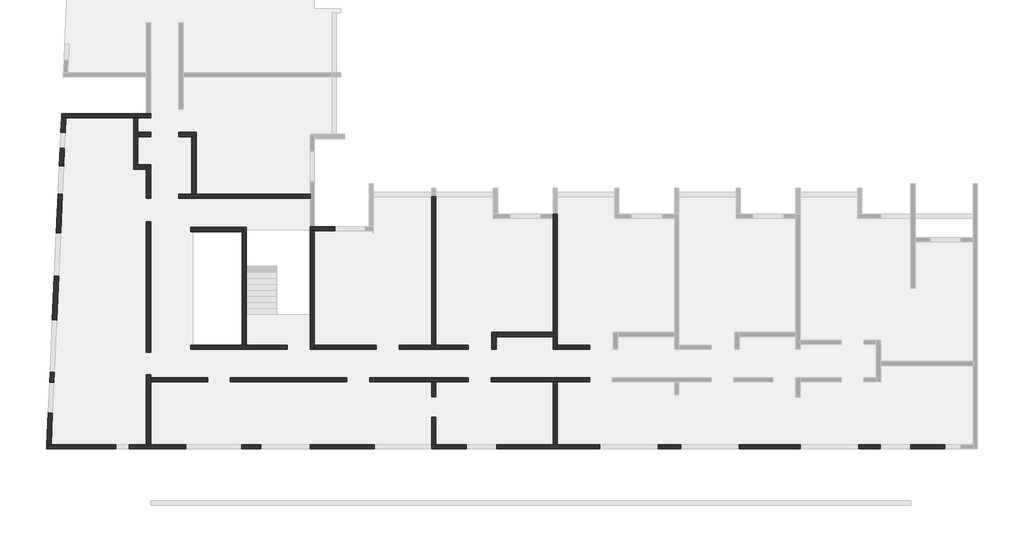
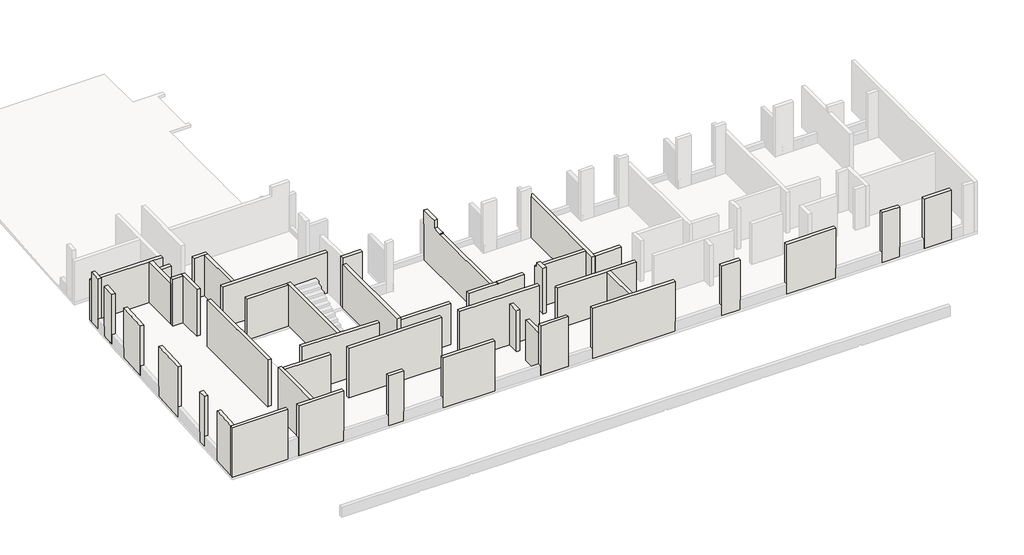
# One storey, part 1 of 5: 45 walls.
"""IFC4 building model written with IfcOpenShell, lengths in millimetres."""

from ifc_helpers import new_model, si_unit, frame, origin, place, context, project, spatial, polyline, outline, extrude, faceted_brep, element, save

model = new_model("IFC4")

# Units and contexts
model_context = context("Model", 3, world=origin())
ifc_project = project(units=[si_unit("LENGTHUNIT", "METRE", prefix="MILLI")], contexts=[model_context])

# Site, building, storey
site = spatial("IfcSite", under=ifc_project)
building = spatial("IfcBuilding", under=site)
storey = spatial("IfcBuildingStorey", under=building, Elevation=19880.0)

# Walls
placement = place(None, origin())
element("IfcWall", 1, ObjectType="MHA20", at=placement, inside=storey, context=model_context, shape_type="SweptSolid", body=[
    extrude(outline(polyline([(-17685.6912908, -13279.0672499), (-17685.6912908, -16219.0672499), (-17885.6912908, -16219.0672499), (-17885.6912908, -13279.0672499), (-17685.6912908, -13279.0672499)])), frame((0.0, 0.0, 19880.0), z_axis=(0.0, 0.0, 1.0), x_axis=(1.0, 0.0, 0.0)), (0.0, 0.0, 1.0), 2530.0),
])
element("IfcWall", 2, ObjectType="MHA20", at=placement, inside=storey, context=model_context, shape_type="SweptSolid", body=[
    extrude(outline(polyline([(-23375.6912908, -14929.0672499), (-23375.6912908, -16219.0672499), (-23575.6912908, -16219.0672499), (-23575.6912908, -14929.0672499), (-23375.6912908, -14929.0672499)])), frame((0.0, 0.0, 19880.0), z_axis=(0.0, 0.0, 1.0), x_axis=(1.0, 0.0, 0.0)), (0.0, 0.0, 1.0), 2530.0),
])
element("IfcWall", 3, ObjectType="MHA20", at=placement, inside=storey, context=model_context, shape_type="Brep", body=[
    faceted_brep([(-17885.6912908, -5419.0672499, 19880.0), (-17885.6912908, -5619.0672499, 19880.0), (-17885.6912908, -10959.0672499, 19880.0), (-17885.6912908, -11159.0672499, 19880.0), (-17885.6912908, -11759.0672499, 19880.0), (-17885.6912908, -11759.0672499, 22410.0), (-17885.6912908, -11159.0672499, 22410.0), (-17885.6912908, -10959.0672499, 22410.0), (-17885.6912908, -5619.0672499, 22410.0), (-17885.6912908, -5419.0672499, 22410.0), (-17885.6912908, -5419.0672499, 22110.0), (-17685.6912908, -5419.0672499, 19880.0), (-17685.6912908, -5419.0672499, 22110.0), (-17685.6912908, -5419.0672499, 22410.0), (-17685.6912908, -11559.0672499, 22410.0), (-17685.6912908, -11759.0672499, 22410.0), (-17685.6912908, -11759.0672499, 19880.0), (-17685.6912908, -11559.0672499, 19880.0)], [[[0, 1, 2, 3, 4, 5, 6, 7, 8, 9, 10]], [[11, 12, 13, 14, 15, 16, 17]], [[4, 3, 2, 1, 0, 11, 17, 16]], [[9, 8, 7, 6, 5, 15, 14, 13]], [[5, 4, 16, 15]], [[0, 10, 9, 13, 12, 11]]]),
])
element("IfcWall", 4, ObjectType="MHA20", at=placement, inside=storey, context=model_context, shape_type="Brep", body=[
    faceted_brep([(-23575.6912908, -4599.0672499, 19880.0), (-23575.6912908, -11559.0672499, 19880.0), (-23575.6912908, -11559.0672499, 22410.0), (-23575.6912908, -6204.0672499, 22410.0), (-23575.6912908, -6204.0672499, 22460.0), (-23575.6912908, -6004.0672499, 22460.0), (-23575.6912908, -5619.0672499, 22460.0), (-23575.6912908, -5619.0672499, 22945.0), (-23575.6912908, -4599.0672499, 22954.4444444), (-23575.6912908, -4599.0672499, 22110.0), (-23375.6912908, -4599.0672499, 19880.0), (-23375.6912908, -4599.0672499, 22110.0), (-23375.6912908, -4599.0672499, 22954.4444444), (-23375.6912908, -5619.0672499, 22945.0), (-23375.6912908, -5619.0672499, 22795.0), (-23375.6912908, -5619.0672499, 22460.0), (-23375.6912908, -6004.0672499, 22460.0), (-23375.6912908, -6204.0672499, 22460.0), (-23375.6912908, -6204.0672499, 22410.0), (-23375.6912908, -11559.0672499, 22410.0), (-23375.6912908, -11559.0672499, 19880.0)], [[[0, 1, 2, 3, 4, 5, 6, 7, 8, 9]], [[10, 11, 12, 13, 14, 15, 16, 17, 18, 19, 20]], [[2, 1, 20, 19]], [[1, 0, 10, 20]], [[3, 2, 19, 18]], [[0, 9, 8, 12, 11, 10]], [[7, 6, 15, 14, 13]], [[8, 7, 13, 12]], [[4, 3, 18, 17]], [[6, 5, 4, 17, 16, 15]]]),
])
element("IfcWall", 5, ObjectType="MHA20", at=placement, inside=storey, context=model_context, shape_type="Brep", body=[
    faceted_brep([(-36735.6912908, -16219.0672499, 19880.0), (-36735.6912908, -13279.0672499, 19880.0), (-36735.6912908, -13079.0672499, 19880.0), (-36735.6912908, -12949.0672499, 19880.0), (-36735.6912908, -12949.0672499, 22960.0), (-36735.6912908, -13079.0672499, 22960.0), (-36735.6912908, -13279.0672499, 22960.0), (-36735.6912908, -16219.0672499, 22960.0), (-36935.6912908, -16219.0672499, 19880.0), (-36935.6912908, -16219.0672499, 22960.0), (-36935.6912908, -12949.0672499, 22960.0), (-36935.6912908, -12949.0672499, 19880.0)], [[[0, 1, 2, 3, 4, 5, 6, 7]], [[8, 9, 10, 11]], [[3, 2, 1, 0, 8, 11]], [[4, 3, 11, 10]], [[7, 6, 5, 4, 10, 9]], [[0, 7, 9, 8]]]),
])
element("IfcWall", 6, ObjectType="MHA20", at=placement, inside=storey, context=model_context, shape_type="SweptSolid", body=[
    extrude(outline(polyline([(-32995.6912908, -13079.0672499), (-27540.6912908, -13079.0672499), (-27540.6912908, -13279.0672499), (-32995.6912908, -13279.0672499), (-32995.6912908, -13079.0672499)])), frame((0.0, 0.0, 19880.0), z_axis=(0.0, 0.0, 1.0), x_axis=(1.0, 0.0, 0.0)), (0.0, 0.0, 1.0), 3080.0),
])
element("IfcWall", 7, ObjectType="MHA20", at=placement, inside=storey, context=model_context, shape_type="Brep", body=[
    faceted_brep([(-20550.6912908, -11759.0672499, 19880.0), (-20550.6912908, -11159.0672499, 19880.0), (-20550.6912908, -10959.0672499, 19880.0), (-20550.6912908, -10959.0672499, 22410.0), (-20550.6912908, -11159.0672499, 22410.0), (-20550.6912908, -11159.0672499, 22710.0), (-20550.6912908, -11759.0672499, 22710.0), (-20750.6912908, -11759.0672499, 19880.0), (-20750.6912908, -11759.0672499, 22710.0), (-20750.6912908, -11159.0672499, 22710.0), (-20750.6912908, -11159.0672499, 22410.0), (-20750.6912908, -10959.0672499, 22410.0), (-20750.6912908, -10959.0672499, 19880.0)], [[[0, 1, 2, 3, 4, 5, 6]], [[7, 8, 9, 10, 11, 12]], [[2, 1, 0, 7, 12]], [[6, 5, 9, 8]], [[0, 6, 8, 7]], [[10, 4, 3, 11]], [[3, 2, 12, 11]], [[5, 4, 10, 9]]]),
])
element("IfcWall", 8, ObjectType="MHA20", at=placement, inside=storey, context=model_context, shape_type="SweptSolid", body=[
    extrude(outline(polyline([(-17885.6912908, -11159.0672499), (-20550.6912908, -11159.0672499), (-20550.6912908, -10959.0672499), (-17885.6912908, -10959.0672499), (-17885.6912908, -11159.0672499)])), frame((0.0, 0.0, 19880.0), z_axis=(0.0, 0.0, 1.0), x_axis=(1.0, 0.0, 0.0)), (0.0, 0.0, 1.0), 2530.0),
])
element("IfcWall", 9, ObjectType="MHA20", at=placement, inside=storey, context=model_context, shape_type="SweptSolid", body=[
    extrude(outline(polyline([(-17685.6912908, -11559.0672499), (-16160.6912908, -11559.0672499), (-16160.6912908, -11759.0672499), (-17685.6912908, -11759.0672499), (-17685.6912908, -11559.0672499)])), frame((0.0, 0.0, 19880.0), z_axis=(0.0, 0.0, 1.0), x_axis=(1.0, 0.0, 0.0)), (0.0, 0.0, 1.0), 2530.0),
])
element("IfcWall", 10, ObjectType="MHA20", at=placement, inside=storey, context=model_context, shape_type="Brep", body=[
    faceted_brep([(-21850.6912908, -11559.0672499, 19880.0), (-23375.6912908, -11559.0672499, 19880.0), (-23575.6912908, -11559.0672499, 19880.0), (-25095.6912908, -11559.0672499, 19880.0), (-25095.6912908, -11559.0672499, 22673.4), (-23675.6899802, -11559.0672499, 22658.3234429), (-23375.6912908, -11559.0672499, 22655.1382716), (-23375.6912908, -11559.0672499, 22658.2), (-23375.6912908, -11559.0672499, 22684.6884615), (-21850.6912908, -11559.0672499, 22699.0), (-21850.6912908, -11759.0672499, 19880.0), (-21850.6912908, -11759.0672499, 22699.0), (-23375.6912908, -11759.0672499, 22684.6884615), (-23375.6912908, -11759.0672499, 22658.2), (-23375.6912908, -11759.0672499, 22655.1382716), (-23675.6899802, -11759.0672499, 22658.3234429), (-25095.6912908, -11759.0672499, 22673.4), (-25095.6912908, -11759.0672499, 19880.0)], [[[0, 1, 2, 3, 4, 5, 6, 7, 8, 9]], [[10, 11, 12, 13, 14, 15, 16, 17]], [[3, 2, 1, 0, 10, 17]], [[4, 3, 17, 16]], [[0, 9, 11, 10]], [[6, 5, 4, 16, 15, 14]], [[9, 8, 12, 11]], [[8, 7, 6, 14, 13, 12]]]),
])
element("IfcWall", 11, ObjectType="MHA20", at=placement, inside=storey, context=model_context, shape_type="Brep", body=[
    faceted_brep([(-29065.6912908, -11759.0672499, 19880.0), (-29065.6912908, -11559.0672499, 19880.0), (-29065.6912908, -6204.0672499, 19880.0), (-29065.6912908, -6204.0672499, 22563.0925002), (-29065.6912908, -11759.0672499, 22563.0925002), (-29065.6912908, -11759.0672499, 22410.0), (-29265.6912908, -11759.0672499, 19880.0), (-29265.6912908, -11759.0672499, 22565.0925002), (-29265.6912908, -6204.0672499, 22565.0925002), (-29265.6912908, -6204.0672499, 19880.0)], [[[0, 1, 2, 3, 4, 5]], [[6, 7, 8, 9]], [[2, 1, 0, 6, 9]], [[0, 5, 4, 7, 6]], [[3, 2, 9, 8]], [[4, 3, 8, 7]]]),
])
element("IfcWall", 12, ObjectType="MHA20", at=placement, inside=storey, context=model_context, shape_type="Brep", body=[
    faceted_brep([(-35405.6912908, -4689.0672499, 19880.0), (-29265.6912908, -4689.0672499, 19880.0), (-29265.6912908, -4689.0672499, 22410.0), (-35405.6912908, -4689.0672499, 22410.0), (-35405.6912908, -4489.0672499, 19880.0), (-35405.6912908, -4489.0672499, 22410.0), (-34805.6912908, -4489.0672499, 22410.0), (-34605.6912908, -4489.0672499, 22410.0), (-29265.6912908, -4489.0672499, 22410.0), (-29265.6912908, -4489.0672499, 19880.0), (-34605.6912908, -4489.0672499, 19880.0), (-34805.6912908, -4489.0672499, 19880.0)], [[[0, 1, 2, 3]], [[4, 5, 6, 7, 8, 9, 10, 11]], [[1, 0, 4, 11, 10, 9]], [[3, 2, 8, 7, 6, 5]], [[0, 3, 5, 4]], [[2, 1, 9, 8]]]),
])
element("IfcWall", 13, ObjectType="MHA20", at=placement, inside=storey, context=model_context, shape_type="Brep", body=[
    faceted_brep([(-28115.6912908, -6004.0672499, 19880.0), (-29065.6912908, -6004.0672499, 19880.0), (-29265.6912908, -6004.0672499, 19880.0), (-29265.6912908, -6004.0672499, 22960.0), (-29065.6912908, -6004.0672499, 22960.0), (-28115.6912908, -6004.0672499, 22960.0), (-28115.6912908, -6004.0672499, 22260.0), (-28115.6912908, -6004.0672499, 20480.0), (-28115.6912908, -6204.0672499, 19880.0), (-28115.6912908, -6204.0672499, 20480.0), (-28115.6912908, -6204.0672499, 22260.0), (-28115.6912908, -6204.0672499, 22960.0), (-29265.6912908, -6204.0672499, 22960.0), (-29265.6912908, -6204.0672499, 22565.0925002), (-29265.6912908, -6204.0672499, 19880.0), (-29065.6912908, -6204.0672499, 19880.0)], [[[0, 1, 2, 3, 4, 5, 6, 7]], [[8, 9, 10, 11, 12, 13, 14, 15]], [[2, 1, 0, 8, 15, 14]], [[5, 4, 3, 12, 11]], [[0, 7, 6, 5, 11, 10, 9, 8]], [[2, 14, 13, 12, 3]]]),
])
element("IfcWall", 14, ObjectType="MHA20", at=placement, inside=storey, context=model_context, shape_type="SweptSolid", body=[
    extrude(outline(polyline([(-26155.6912908, -11759.0672499), (-29065.6912908, -11759.0672499), (-29065.6912908, -11559.0672499), (-26155.6912908, -11559.0672499), (-26155.6912908, -11759.0672499)])), frame((0.0, 0.0, 19880.0), z_axis=(0.0, 0.0, 1.0), x_axis=(1.0, 0.0, 0.0)), (0.0, 0.0, 1.0), 2530.0),
])
element("IfcWall", 15, ObjectType="MHA20", at=placement, inside=storey, context=model_context, shape_type="Brep", body=[
    faceted_brep([(-32245.6912908, -11559.0672499, 19880.0), (-32245.6912908, -6044.0672499, 19880.0), (-32245.6912908, -6044.0672499, 22410.0), (-32245.6912908, -11559.0672499, 22410.0), (-32445.6912908, -11559.0672499, 19880.0), (-32445.6912908, -11559.0672499, 22410.0), (-32445.6912908, -6244.0672499, 22410.0), (-32445.6912908, -6044.0672499, 22410.0), (-32445.6912908, -6044.0672499, 19880.0), (-32445.6912908, -6244.0672499, 19880.0)], [[[0, 1, 2, 3]], [[4, 5, 6, 7, 8, 9]], [[1, 0, 4, 9, 8]], [[3, 2, 7, 6, 5]], [[0, 3, 5, 4]], [[2, 1, 8, 7]]]),
])
element("IfcWall", 16, ObjectType="MHA20", at=placement, inside=storey, context=model_context, shape_type="Brep", body=[
    faceted_brep([(-34865.6912908, -11759.0672499, 19880.0), (-30340.6912908, -11759.0672499, 19880.0), (-30340.6912908, -11759.0672499, 22725.85), (-34865.6912908, -11759.0672499, 22771.1), (-34865.6912908, -11559.0672499, 19880.0), (-34865.6912908, -11559.0672499, 22771.1), (-30340.6912908, -11559.0672499, 22725.85), (-30340.6912908, -11559.0672499, 19880.0), (-32245.6912908, -11559.0672499, 19880.0), (-32445.6912908, -11559.0672499, 19880.0)], [[[0, 1, 2, 3]], [[4, 5, 6, 7, 8, 9]], [[1, 0, 4, 9, 8, 7]], [[2, 1, 7, 6]], [[0, 3, 5, 4]], [[3, 2, 6, 5]]]),
])
element("IfcWall", 17, ObjectType="MHA20", at=placement, inside=storey, context=model_context, shape_type="SweptSolid", body=[
    extrude(outline(polyline([(-32445.6912908, -6244.0672499), (-34865.6912908, -6244.0672499), (-34865.6912908, -6044.0672499), (-32445.6912908, -6044.0672499), (-32445.6912908, -6244.0672499)])), frame((0.0, 0.0, 19880.0), z_axis=(0.0, 0.0, 1.0), x_axis=(1.0, 0.0, 0.0)), (0.0, 0.0, 1.0), 2530.0),
])
element("IfcWall", 18, ObjectType="MHA20", at=placement, inside=storey, context=model_context, shape_type="SweptSolid", body=[
    extrude(outline(polyline([(-36735.6912908, -5774.0672499), (-36735.6912908, -11889.0672499), (-36935.6912908, -11889.0672499), (-36935.6912908, -5774.0672499), (-36735.6912908, -5774.0672499)])), frame((0.0, 0.0, 19880.0), z_axis=(0.0, 0.0, 1.0), x_axis=(1.0, 0.0, 0.0)), (0.0, 0.0, 1.0), 2890.0),
])
element("IfcWall", 19, ObjectType="MHA20", at=placement, inside=storey, context=model_context, shape_type="Brep", body=[
    faceted_brep([(-41609.0481243, -16419.0672499, 19880.0), (-38375.6912908, -16419.0672499, 19880.0), (-38375.6912908, -16419.0672499, 22960.0), (-41609.0481243, -16419.0672499, 22960.0), (-41599.9751419, -16219.0672499, 19880.0), (-41599.9751419, -16219.0672499, 22960.0), (-41399.7694501, -16219.0672499, 22960.0), (-38375.6912908, -16219.0672499, 22960.0), (-38375.6912908, -16219.0672499, 19880.0), (-41399.7694501, -16219.0672499, 19880.0)], [[[0, 1, 2, 3]], [[4, 5, 6, 7, 8, 9]], [[1, 0, 4, 9, 8]], [[2, 1, 8, 7]], [[3, 2, 7, 6, 5]], [[0, 3, 5, 4]]]),
])
element("IfcWall", 20, ObjectType="MHA20", at=placement, inside=storey, context=model_context, shape_type="Brep", body=[
    faceted_brep([(-35405.6912908, -1794.0672499, 19880.0), (-34805.6912908, -1794.0672499, 19880.0), (-34605.6912908, -1794.0672499, 19880.0), (-34605.6912908, -1794.0672499, 22410.0), (-34805.6912908, -1794.0672499, 22410.0), (-35405.6912908, -1794.0672499, 22410.0), (-35405.6912908, -1594.0672499, 19880.0), (-35405.6912908, -1594.0672499, 22410.0), (-34605.6912908, -1594.0672499, 22410.0), (-34605.6912908, -1594.0672499, 19880.0)], [[[0, 1, 2, 3, 4, 5]], [[6, 7, 8, 9]], [[2, 1, 0, 6, 9]], [[5, 4, 3, 8, 7]], [[0, 5, 7, 6]], [[3, 2, 9, 8]]]),
])
element("IfcWall", 21, ObjectType="MHA20", at=placement, inside=storey, context=model_context, shape_type="SweptSolid", body=[
    extrude(outline(polyline([(-34605.6912908, -1794.0672499), (-34605.6912908, -4489.0672499), (-34805.6912908, -4489.0672499), (-34805.6912908, -1794.0672499), (-34605.6912908, -1794.0672499)])), frame((0.0, 0.0, 19880.0), z_axis=(0.0, 0.0, 1.0), x_axis=(1.0, 0.0, 0.0)), (0.0, 0.0, 1.0), 2530.0),
])
element("IfcWall", 22, ObjectType="MHA20", at=placement, inside=storey, context=model_context, shape_type="Brep", body=[
    faceted_brep([(-37335.6912908, -3119.0672499, 19880.0), (-37335.6912908, -1794.0672499, 19880.0), (-37335.6912908, -1594.0672499, 19880.0), (-37335.6912908, -914.0672499, 19880.0), (-37335.6912908, -914.0672499, 22410.0), (-37335.6912908, -1594.0672499, 22410.0), (-37335.6912908, -1794.0672499, 22410.0), (-37335.6912908, -3119.0672499, 22410.0), (-37535.6912908, -3119.0672499, 19880.0), (-37535.6912908, -3119.0672499, 22410.0), (-37535.6912908, -914.0672499, 22410.0), (-37535.6912908, -914.0672499, 19880.0)], [[[0, 1, 2, 3, 4, 5, 6, 7]], [[8, 9, 10, 11]], [[3, 2, 1, 0, 8, 11]], [[7, 6, 5, 4, 10, 9]], [[0, 7, 9, 8]], [[4, 3, 11, 10]]]),
])
element("IfcWall", 23, ObjectType="MHA20", at=placement, inside=storey, context=model_context, shape_type="SweptSolid", body=[
    extrude(outline(polyline([(-37335.6912908, -1594.0672499), (-36735.6912908, -1594.0672499), (-36735.6912908, -1794.0672499), (-37335.6912908, -1794.0672499), (-37335.6912908, -1594.0672499)])), frame((0.0, 0.0, 19880.0), z_axis=(0.0, 0.0, 1.0), x_axis=(1.0, 0.0, 0.0)), (0.0, 0.0, 1.0), 2530.0),
])
element("IfcWall", 24, ObjectType="MHA20", at=placement, inside=storey, context=model_context, shape_type="Brep", body=[
    faceted_brep([(-37535.6912908, -3319.0672499, 19880.0), (-36935.6912908, -3319.0672499, 19880.0), (-36935.6912908, -3319.0672499, 22770.0), (-37535.6912908, -3319.0672499, 22770.0), (-37535.6912908, -3119.0672499, 19880.0), (-37535.6912908, -3119.0672499, 22410.0), (-37535.6912908, -3119.0672499, 22770.0), (-36935.6912908, -3119.0672499, 22770.0), (-36935.6912908, -3119.0672499, 19880.0), (-37335.6912908, -3119.0672499, 19880.0)], [[[0, 1, 2, 3]], [[4, 5, 6, 7, 8, 9]], [[1, 0, 4, 9, 8]], [[3, 2, 7, 6]], [[0, 3, 6, 5, 4]], [[2, 1, 8, 7]]]),
])
element("IfcWall", 25, ObjectType="MHA20", at=placement, inside=storey, context=model_context, shape_type="SweptSolid", body=[
    extrude(outline(polyline([(-23375.6912908, -13279.0672499), (-23375.6912908, -13979.0672499), (-23575.6912908, -13979.0672499), (-23575.6912908, -13279.0672499), (-23375.6912908, -13279.0672499)])), frame((0.0, 0.0, 19880.0), z_axis=(0.0, 0.0, 1.0), x_axis=(1.0, 0.0, 0.0)), (0.0, 0.0, 1.0), 2530.0),
])
element("IfcWall", 26, ObjectType="MHA20", at=placement, inside=storey, context=model_context, shape_type="Brep", body=[
    faceted_brep([(464.3087092, -16219.0672499, 19880.0), (-1125.6912908, -16219.0672499, 19880.0), (-1125.6912908, -16219.0672499, 20480.0), (-1125.6912908, -16219.0672499, 22410.0), (-1125.6912908, -16219.0672499, 22960.0), (464.3087092, -16219.0672499, 22960.0), (464.3087092, -16419.0672499, 19880.0), (464.3087092, -16419.0672499, 22960.0), (-1125.6912908, -16419.0672499, 22960.0), (-1125.6912908, -16419.0672499, 22410.0), (-1125.6912908, -16419.0672499, 20480.0), (-1125.6912908, -16419.0672499, 19880.0)], [[[0, 1, 2, 3, 4, 5]], [[6, 7, 8, 9, 10, 11]], [[1, 0, 6, 11]], [[4, 3, 2, 1, 11, 10, 9, 8]], [[5, 4, 8, 7]], [[0, 5, 7, 6]]]),
])
element("IfcWall", 27, ObjectType="MHA20", at=placement, inside=storey, context=model_context, shape_type="Brep", body=[
    faceted_brep([(-2555.6912908, -16219.0672499, 19880.0), (-3570.6912908, -16219.0672499, 19880.0), (-3570.6912908, -16219.0672499, 20480.0), (-3570.6912908, -16219.0672499, 22410.0), (-3570.6912908, -16219.0672499, 22960.0), (-2555.6912908, -16219.0672499, 22960.0), (-2555.6912908, -16219.0672499, 22410.0), (-2555.6912908, -16219.0672499, 20480.0), (-2555.6912908, -16419.0672499, 19880.0), (-2555.6912908, -16419.0672499, 20480.0), (-2555.6912908, -16419.0672499, 22410.0), (-2555.6912908, -16419.0672499, 22960.0), (-3570.6912908, -16419.0672499, 22960.0), (-3570.6912908, -16419.0672499, 22410.0), (-3570.6912908, -16419.0672499, 20480.0), (-3570.6912908, -16419.0672499, 19880.0)], [[[0, 1, 2, 3, 4, 5, 6, 7]], [[8, 9, 10, 11, 12, 13, 14, 15]], [[1, 0, 8, 15]], [[4, 3, 2, 1, 15, 14, 13, 12]], [[5, 4, 12, 11]], [[0, 7, 6, 5, 11, 10, 9, 8]]]),
])
element("IfcWall", 28, ObjectType="MHA20", at=placement, inside=storey, context=model_context, shape_type="Brep", body=[
    faceted_brep([(-6305.6912908, -16219.0672499, 19880.0), (-9155.6912908, -16219.0672499, 19880.0), (-9155.6912908, -16219.0672499, 20480.0), (-9155.6912908, -16219.0672499, 22410.0), (-9155.6912908, -16219.0672499, 22960.0), (-6305.6912908, -16219.0672499, 22960.0), (-6305.6912908, -16219.0672499, 22410.0), (-6305.6912908, -16219.0672499, 20480.0), (-6305.6912908, -16419.0672499, 19880.0), (-6305.6912908, -16419.0672499, 20480.0), (-6305.6912908, -16419.0672499, 22410.0), (-6305.6912908, -16419.0672499, 22960.0), (-9155.6912908, -16419.0672499, 22960.0), (-9155.6912908, -16419.0672499, 22410.0), (-9155.6912908, -16419.0672499, 20480.0), (-9155.6912908, -16419.0672499, 19880.0)], [[[0, 1, 2, 3, 4, 5, 6, 7]], [[8, 9, 10, 11, 12, 13, 14, 15]], [[1, 0, 8, 15]], [[4, 3, 2, 1, 15, 14, 13, 12]], [[5, 4, 12, 11]], [[0, 7, 6, 5, 11, 10, 9, 8]]]),
])
element("IfcWall", 29, ObjectType="MHA20", at=placement, inside=storey, context=model_context, shape_type="Brep", body=[
    faceted_brep([(-20515.6912908, -16419.0672499, 19880.0), (-15705.6912908, -16419.0672499, 19880.0), (-15705.6912908, -16419.0672499, 20480.0), (-15705.6912908, -16419.0672499, 22410.0), (-15705.6912908, -16419.0672499, 22960.0), (-20515.6912908, -16419.0672499, 22960.0), (-20515.6912908, -16219.0672499, 19880.0), (-20515.6912908, -16219.0672499, 22960.0), (-15705.6912908, -16219.0672499, 22960.0), (-15705.6912908, -16219.0672499, 22410.0), (-15705.6912908, -16219.0672499, 20480.0), (-15705.6912908, -16219.0672499, 19880.0), (-17685.6912908, -16219.0672499, 19880.0), (-17885.6912908, -16219.0672499, 19880.0)], [[[0, 1, 2, 3, 4, 5]], [[6, 7, 8, 9, 10, 11, 12, 13]], [[1, 0, 6, 13, 12, 11]], [[4, 3, 2, 1, 11, 10, 9, 8]], [[5, 4, 8, 7]], [[0, 5, 7, 6]]]),
])
element("IfcWall", 30, ObjectType="MHA20", at=placement, inside=storey, context=model_context, shape_type="Brep", body=[
    faceted_brep([(-37735.6912908, -16419.0672499, 19880.0), (-35095.6912908, -16419.0672499, 19880.0), (-35095.6912908, -16419.0672499, 20480.0), (-35095.6912908, -16419.0672499, 22410.0), (-35095.6912908, -16419.0672499, 22960.0), (-37735.6912908, -16419.0672499, 22960.0), (-37735.6912908, -16219.0672499, 19880.0), (-37735.6912908, -16219.0672499, 22960.0), (-36935.6912908, -16219.0672499, 22960.0), (-36735.6912908, -16219.0672499, 22960.0), (-35095.6912908, -16219.0672499, 22960.0), (-35095.6912908, -16219.0672499, 22410.0), (-35095.6912908, -16219.0672499, 20480.0), (-35095.6912908, -16219.0672499, 19880.0), (-36735.6912908, -16219.0672499, 19880.0), (-36935.6912908, -16219.0672499, 19880.0)], [[[0, 1, 2, 3, 4, 5]], [[6, 7, 8, 9, 10, 11, 12, 13, 14, 15]], [[1, 0, 6, 15, 14, 13]], [[4, 3, 2, 1, 13, 12, 11, 10]], [[5, 4, 10, 9, 8, 7]], [[0, 5, 7, 6]]]),
])
element("IfcWall", 31, ObjectType="MHA20", at=placement, inside=storey, context=model_context, shape_type="Brep", body=[
    faceted_brep([(-41532.7054566, -14736.2100849, 19880.0), (-41599.9751419, -16219.0672499, 19880.0), (-41599.9751419, -16219.0672499, 22960.0), (-41532.7054566, -14736.2100849, 22960.0), (-41532.7054566, -14736.2100849, 22410.0), (-41532.7054566, -14736.2100849, 20480.0), (-41332.9109371, -14745.2737458, 19880.0), (-41332.9109371, -14745.2737458, 20480.0), (-41332.9109371, -14745.2737458, 22410.0), (-41332.9109371, -14745.2737458, 22960.0), (-41399.7694501, -16219.0672499, 22960.0), (-41399.7694501, -16219.0672499, 19880.0)], [[[0, 1, 2, 3, 4, 5]], [[6, 7, 8, 9, 10, 11]], [[1, 0, 6, 11]], [[3, 2, 10, 9]], [[0, 5, 4, 3, 9, 8, 7, 6]], [[2, 1, 11, 10]]]),
])
element("IfcWall", 32, ObjectType="MHA20", at=placement, inside=storey, context=model_context, shape_type="Brep", body=[
    faceted_brep([(-41267.6525789, -13306.7532049, 19880.0), (-41246.1263843, -12832.2412209, 19880.0), (-41246.1263843, -12832.2412209, 20480.0), (-41246.1263843, -12832.2412209, 22410.0), (-41246.1263843, -12832.2412209, 22960.0), (-41267.6525789, -13306.7532049, 22960.0), (-41267.6525789, -13306.7532049, 22410.0), (-41267.6525789, -13306.7532049, 20480.0), (-41467.4470985, -13297.689544, 19880.0), (-41467.4470985, -13297.689544, 20480.0), (-41467.4470985, -13297.689544, 22410.0), (-41467.4470985, -13297.689544, 22960.0), (-41445.9209039, -12823.17756, 22960.0), (-41445.9209039, -12823.17756, 22410.0), (-41445.9209039, -12823.17756, 20480.0), (-41445.9209039, -12823.17756, 19880.0)], [[[0, 1, 2, 3, 4, 5, 6, 7]], [[8, 9, 10, 11, 12, 13, 14, 15]], [[1, 0, 8, 15]], [[4, 3, 2, 1, 15, 14, 13, 12]], [[5, 4, 12, 11]], [[0, 7, 6, 5, 11, 10, 9, 8]]]),
])
element("IfcWall", 33, ObjectType="MHA20", at=placement, inside=storey, context=model_context, shape_type="Brep", body=[
    faceted_brep([(-32455.6912908, -16419.0672499, 19880.0), (-31585.6912908, -16419.0672499, 19880.0), (-31585.6912908, -16419.0672499, 20480.0), (-31585.6912908, -16419.0672499, 22410.0), (-31585.6912908, -16419.0672499, 22960.0), (-32455.6912908, -16419.0672499, 22960.0), (-32455.6912908, -16419.0672499, 22410.0), (-32455.6912908, -16419.0672499, 20480.0), (-32455.6912908, -16219.0672499, 19880.0), (-32455.6912908, -16219.0672499, 20480.0), (-32455.6912908, -16219.0672499, 22410.0), (-32455.6912908, -16219.0672499, 22960.0), (-31585.6912908, -16219.0672499, 22960.0), (-31585.6912908, -16219.0672499, 22410.0), (-31585.6912908, -16219.0672499, 20480.0), (-31585.6912908, -16219.0672499, 19880.0)], [[[0, 1, 2, 3, 4, 5, 6, 7]], [[8, 9, 10, 11, 12, 13, 14, 15]], [[1, 0, 8, 15]], [[4, 3, 2, 1, 15, 14, 13, 12]], [[5, 4, 12, 11]], [[0, 7, 6, 5, 11, 10, 9, 8]]]),
])
element("IfcWall", 34, ObjectType="MHA20", at=placement, inside=storey, context=model_context, shape_type="Brep", body=[
    faceted_brep([(-29265.6912908, -16419.0672499, 19880.0), (-26255.6912908, -16419.0672499, 19880.0), (-26255.6912908, -16419.0672499, 22960.0), (-29265.6912908, -16419.0672499, 22960.0), (-29265.6912908, -16419.0672499, 22410.0), (-29265.6912908, -16419.0672499, 20480.0), (-29265.6912908, -16219.0672499, 19880.0), (-29265.6912908, -16219.0672499, 20480.0), (-29265.6912908, -16219.0672499, 22410.0), (-29265.6912908, -16219.0672499, 22960.0), (-26255.6912908, -16219.0672499, 22960.0), (-26255.6912908, -16219.0672499, 19880.0)], [[[0, 1, 2, 3, 4, 5]], [[6, 7, 8, 9, 10, 11]], [[1, 0, 6, 11]], [[2, 1, 11, 10]], [[3, 2, 10, 9]], [[0, 5, 4, 3, 9, 8, 7, 6]]]),
])
element("IfcWall", 35, ObjectType="MHA20", at=placement, inside=storey, context=model_context, shape_type="Brep", body=[
    faceted_brep([(-21955.6912908, -16219.0672499, 19880.0), (-23375.6912908, -16219.0672499, 19880.0), (-23575.6912908, -16219.0672499, 19880.0), (-23575.6912908, -16219.0672499, 22410.0), (-23575.6912908, -16219.0672499, 22960.0), (-21955.6912908, -16219.0672499, 22960.0), (-21955.6912908, -16419.0672499, 19880.0), (-21955.6912908, -16419.0672499, 22960.0), (-23575.6912908, -16419.0672499, 22960.0), (-23575.6912908, -16419.0672499, 19880.0)], [[[0, 1, 2, 3, 4, 5]], [[6, 7, 8, 9]], [[2, 1, 0, 6, 9]], [[5, 4, 8, 7]], [[0, 5, 7, 6]], [[4, 3, 2, 9, 8]]]),
])
element("IfcWall", 36, ObjectType="MHA20", at=placement, inside=storey, context=model_context, shape_type="Brep", body=[
    faceted_brep([(-12965.6912908, -16419.0672499, 19880.0), (-11895.6912908, -16419.0672499, 19880.0), (-11895.6912908, -16419.0672499, 20480.0), (-11895.6912908, -16419.0672499, 22410.0), (-11895.6912908, -16419.0672499, 22960.0), (-12965.6912908, -16419.0672499, 22960.0), (-12965.6912908, -16419.0672499, 22410.0), (-12965.6912908, -16419.0672499, 20480.0), (-12965.6912908, -16219.0672499, 19880.0), (-12965.6912908, -16219.0672499, 20480.0), (-12965.6912908, -16219.0672499, 22410.0), (-12965.6912908, -16219.0672499, 22960.0), (-11895.6912908, -16219.0672499, 22960.0), (-11895.6912908, -16219.0672499, 22410.0), (-11895.6912908, -16219.0672499, 20480.0), (-11895.6912908, -16219.0672499, 19880.0)], [[[0, 1, 2, 3, 4, 5, 6, 7]], [[8, 9, 10, 11, 12, 13, 14, 15]], [[1, 0, 8, 15]], [[4, 3, 2, 1, 15, 14, 13, 12]], [[5, 4, 12, 11]], [[0, 7, 6, 5, 11, 10, 9, 8]]]),
])
element("IfcWall", 37, ObjectType="MHA20", at=placement, inside=storey, context=model_context, shape_type="Brep", body=[
    faceted_brep([(-40905.6651591, -914.0672499, 19880.0), (-40705.4594674, -914.0672499, 19880.0), (-37535.6912908, -914.0672499, 19880.0), (-37335.6912908, -914.0672499, 19880.0), (-36735.6912908, -914.0672499, 19880.0), (-36735.6912908, -914.0672499, 22410.0), (-37335.6912908, -914.0672499, 22410.0), (-37535.6912908, -914.0672499, 22410.0), (-40705.4594674, -914.0672499, 22410.0), (-40905.6651591, -914.0672499, 22410.0), (-40896.5921767, -714.0672499, 19880.0), (-40896.5921767, -714.0672499, 22410.0), (-40696.3864849, -714.0672499, 22410.0), (-36935.6912908, -714.0672499, 22410.0), (-36735.6912908, -714.0672499, 22410.0), (-36735.6912908, -714.0672499, 19880.0), (-36935.6912908, -714.0672499, 19880.0)], [[[0, 1, 2, 3, 4, 5, 6, 7, 8, 9]], [[10, 11, 12, 13, 14, 15, 16]], [[4, 3, 2, 1, 0, 10, 16, 15]], [[9, 8, 7, 6, 5, 14, 13, 12, 11]], [[0, 9, 11, 10]], [[5, 4, 15, 14]]]),
])
element("IfcWall", 38, ObjectType="MHA20", at=placement, inside=storey, context=model_context, shape_type="Brep", body=[
    faceted_brep([(-40736.7034311, -1602.7925697, 19880.0), (-40705.4594674, -914.0672499, 19880.0), (-40705.4594674, -914.0672499, 22410.0), (-40705.4594674, -914.0672499, 22960.0), (-40736.7034311, -1602.7925697, 22960.0), (-40736.7034311, -1602.7925697, 22410.0), (-40736.7034311, -1602.7925697, 20480.0), (-40936.4979507, -1593.7289088, 19880.0), (-40936.4979507, -1593.7289088, 20480.0), (-40936.4979507, -1593.7289088, 22410.0), (-40936.4979507, -1593.7289088, 22960.0), (-40905.6651591, -914.0672499, 22960.0), (-40905.6651591, -914.0672499, 22410.0), (-40905.6651591, -914.0672499, 19880.0)], [[[0, 1, 2, 3, 4, 5, 6]], [[7, 8, 9, 10, 11, 12, 13]], [[1, 0, 7, 13]], [[4, 3, 11, 10]], [[0, 6, 5, 4, 10, 9, 8, 7]], [[3, 2, 1, 13, 12, 11]]]),
])
element("IfcWall", 39, ObjectType="MHA20", at=placement, inside=storey, context=model_context, shape_type="Brep", body=[
    faceted_brep([(-40970.0334959, -2332.9686312, 19880.0), (-41007.6476884, -3162.1158875, 19880.0), (-41007.6476884, -3162.1158875, 22410.0), (-41007.6476884, -3162.1158875, 22960.0), (-40970.0334959, -2332.9686312, 22960.0), (-40970.0334959, -2332.9686312, 22410.0), (-40970.0334959, -2332.9686312, 20480.0), (-40770.2389763, -2342.0322921, 19880.0), (-40770.2389763, -2342.0322921, 20480.0), (-40770.2389763, -2342.0322921, 22410.0), (-40770.2389763, -2342.0322921, 22960.0), (-40807.8531689, -3171.1795483, 22960.0), (-40807.8531689, -3171.1795483, 22410.0), (-40807.8531689, -3171.1795483, 19880.0)], [[[0, 1, 2, 3, 4, 5, 6]], [[7, 8, 9, 10, 11, 12, 13]], [[1, 0, 7, 13]], [[3, 2, 1, 13, 12, 11]], [[4, 3, 11, 10]], [[0, 6, 5, 4, 10, 9, 8, 7]]]),
])
element("IfcWall", 40, ObjectType="MHA20", at=placement, inside=storey, context=model_context, shape_type="Brep", body=[
    faceted_brep([(-41241.7167301, -8321.8093555, 19880.0), (-41334.8458454, -10374.6980441, 19880.0), (-41334.8458454, -10374.6980441, 20480.0), (-41334.8458454, -10374.6980441, 22410.0), (-41334.8458454, -10374.6980441, 22960.0), (-41241.7167301, -8321.8093555, 22960.0), (-41241.7167301, -8321.8093555, 22410.0), (-41241.7167301, -8321.8093555, 20480.0), (-41041.9222105, -8330.8730163, 19880.0), (-41041.9222105, -8330.8730163, 20480.0), (-41041.9222105, -8330.8730163, 22410.0), (-41041.9222105, -8330.8730163, 22960.0), (-41135.0513258, -10383.7617049, 22960.0), (-41135.0513258, -10383.7617049, 22410.0), (-41135.0513258, -10383.7617049, 20480.0), (-41135.0513258, -10383.7617049, 19880.0)], [[[0, 1, 2, 3, 4, 5, 6, 7]], [[8, 9, 10, 11, 12, 13, 14, 15]], [[1, 0, 8, 15]], [[4, 3, 2, 1, 15, 14, 13, 12]], [[5, 4, 12, 11]], [[0, 7, 6, 5, 11, 10, 9, 8]]]),
])
element("IfcWall", 41, ObjectType="MHA20", at=placement, inside=storey, context=model_context, shape_type="SweptSolid", body=[
    extrude(outline(polyline([(-36735.6912908, -13079.0672499), (-34055.6912908, -13079.0672499), (-34055.6912908, -13279.0672499), (-36735.6912908, -13279.0672499), (-36735.6912908, -13079.0672499)])), frame((0.0, 0.0, 19880.0), z_axis=(0.0, 0.0, 1.0), x_axis=(1.0, 0.0, 0.0)), (0.0, 0.0, 1.0), 3080.0),
])
element("IfcWall", 42, ObjectType="MHA20", at=placement, inside=storey, context=model_context, shape_type="Brep", body=[
    faceted_brep([(-26480.6912908, -13079.0672499, 22960.0), (-21850.6912908, -13079.0672499, 22960.0), (-21850.6912908, -13079.0672499, 22410.0), (-21850.6912908, -13079.0672499, 19880.0), (-26480.6912908, -13079.0672499, 19880.0), (-26480.6912908, -13279.0672499, 22960.0), (-26480.6912908, -13279.0672499, 19880.0), (-23575.6912908, -13279.0672499, 19880.0), (-23375.6912908, -13279.0672499, 19880.0), (-21850.6912908, -13279.0672499, 19880.0), (-21850.6912908, -13279.0672499, 22410.0), (-21850.6912908, -13279.0672499, 22960.0)], [[[0, 1, 2, 3, 4]], [[5, 6, 7, 8, 9, 10, 11]], [[1, 0, 5, 11]], [[4, 3, 9, 8, 7, 6]], [[3, 2, 1, 11, 10, 9]], [[0, 4, 6, 5]]]),
])
element("IfcWall", 43, ObjectType="MHA20", at=placement, inside=storey, context=model_context, shape_type="Brep", body=[
    faceted_brep([(-16160.6912908, -13079.0672499, 22410.0), (-16160.6912908, -13079.0672499, 19880.0), (-20790.6912908, -13079.0672499, 19880.0), (-20790.6912908, -13079.0672499, 22410.0), (-20750.6912908, -13079.0672499, 22410.0), (-16160.6912908, -13279.0672499, 22410.0), (-17685.6912908, -13279.0672499, 22410.0), (-17885.6912908, -13279.0672499, 22410.0), (-20750.6912908, -13279.0672499, 22410.0), (-20790.6912908, -13279.0672499, 22410.0), (-20790.6912908, -13279.0672499, 19880.0), (-17885.6912908, -13279.0672499, 19880.0), (-17685.6912908, -13279.0672499, 19880.0), (-16160.6912908, -13279.0672499, 19880.0)], [[[0, 1, 2, 3, 4]], [[5, 6, 7, 8, 9, 10, 11, 12, 13]], [[3, 2, 10, 9]], [[2, 1, 13, 12, 11, 10]], [[1, 0, 5, 13]], [[0, 4, 3, 9, 8, 7, 6, 5]]]),
])
element("IfcWall", 44, ObjectType="MHA20", at=placement, inside=storey, context=model_context, shape_type="Brep", body=[
    faceted_brep([(-41067.2412586, -4475.7648537, 19880.0), (-41149.2673893, -6283.9052558, 19880.0), (-41149.2673893, -6283.9052558, 20480.0), (-41149.2673893, -6283.9052558, 22410.0), (-41149.2673893, -6283.9052558, 22960.0), (-41067.2412586, -4475.7648537, 22960.0), (-41067.2412586, -4475.7648537, 22410.0), (-40867.446739, -4484.8285145, 19880.0), (-40867.446739, -4484.8285145, 22410.0), (-40867.446739, -4484.8285145, 22960.0), (-40949.4728698, -6292.9689167, 22960.0), (-40949.4728698, -6292.9689167, 22410.0), (-40949.4728698, -6292.9689167, 20480.0), (-40949.4728698, -6292.9689167, 19880.0)], [[[0, 1, 2, 3, 4, 5, 6]], [[7, 8, 9, 10, 11, 12, 13]], [[1, 0, 7, 13]], [[4, 3, 2, 1, 13, 12, 11, 10]], [[5, 4, 10, 9]], [[0, 6, 5, 9, 8, 7]]]),
])
element("IfcWall", 45, ObjectType="MHA20", at=placement, inside=storey, context=model_context, shape_type="Brep", body=[
    faceted_brep([(-36735.6912908, -4689.0672499, 19880.0), (-36735.6912908, -3119.0672499, 19880.0), (-36735.6912908, -3119.0672499, 22770.0), (-36735.6912908, -4689.0672499, 22770.0), (-36935.6912908, -4689.0672499, 19880.0), (-36935.6912908, -4689.0672499, 22770.0), (-36935.6912908, -3319.0672499, 22770.0), (-36935.6912908, -3119.0672499, 22770.0), (-36935.6912908, -3119.0672499, 19880.0), (-36935.6912908, -3319.0672499, 19880.0)], [[[0, 1, 2, 3]], [[4, 5, 6, 7, 8, 9]], [[1, 0, 4, 9, 8]], [[3, 2, 7, 6, 5]], [[0, 3, 5, 4]], [[2, 1, 8, 7]]]),
])

save(model, "model.ifc")
